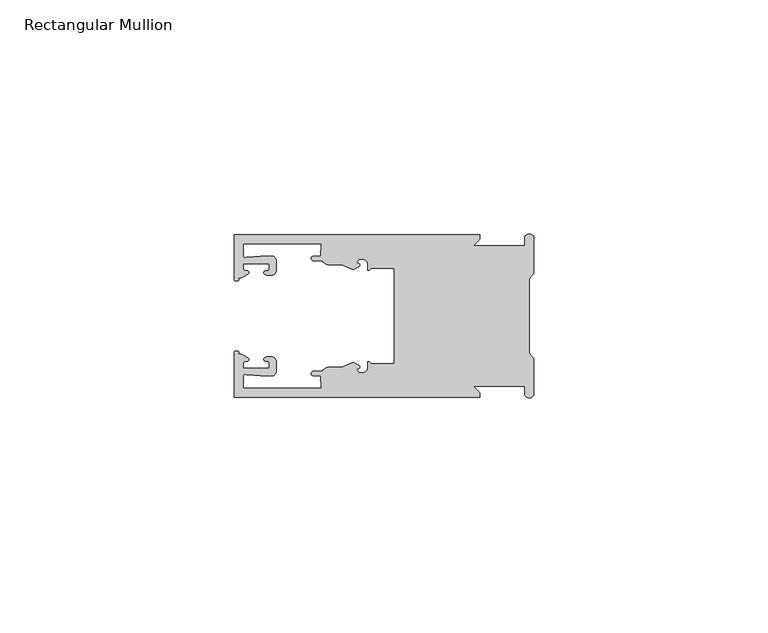
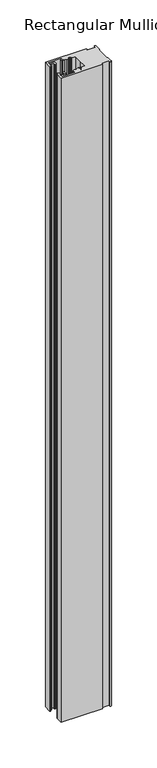
"""IFC4 building model written with IfcOpenShell, lengths in millimetres: member geometry, Rectangular Mullion."""

from ifc_helpers import new_model, si_unit, frame, origin, place, context, project, spatial, polyline, circle_curve, source, transform, mapped, element, save
from ifc_brep_helpers import plane_surface, cylinder_surface, revolved_surface, extruded_surface, spline_curve, advanced_brep


def rectangular_mullion_88b7eafe(model_context):
    return source(origin(), model_context, "Body", "AdvancedBrep", [
        advanced_brep(
        [(-11.5387897, 17.4000478, 0.0), (-64.0387868, 17.4000478, 0.0), (-64.0387868, 7.8350057, 0.0), (-63.2884687, 7.5412947, 0.0), (-62.4614154, 8.1921895, 0.0), (-62.0410649, 9.9426451, 0.0), (-62.0424168, 11.1926444, 0.0), (-56.54242, 11.1985924, 0.0), (-56.5410682, 9.9485931, 0.0), (-57.1085345, 8.7314723, 0.0), (-56.0397166, 8.6991345, 0.0), (-55.0407987, 9.7002154, 0.0), (-55.0430697, 11.8002142, 0.0), (-56.0446364, 12.7991315, 0.0), (-58.3650753, 12.7954945, 0.0), (-61.1340054, 12.5502269, 0.0), (-62.044093, 12.7426435, 0.0), (-62.0469668, 15.4000478, 0.0), (-45.4240312, 15.4000478, 0.0), (-45.5732135, 12.8000478, 0.0), (-47.0387868, 12.8000478, 0.0), (-47.0387868, 11.8000478, 0.0), (-45.2543363, 11.8000478, 0.0), (-43.6387868, 10.9000478, 0.0), (-41.0454034, 10.9000478, 0.0), (-38.5697136, 9.8718293, 0.0), (-37.5387868, 10.4670351, 0.0), (-37.6803436, 11.4201497, 0.0), (-37.0270763, 12.1583697, 0.0), (-36.2010815, 12.0127245, 0.0), (-35.54, 11.2248783, 0.0), (-35.54, 10.0, 0.0), (-34.7705791, 10.25, 0.0), (-29.79, 10.25, 0.0), (-29.79, 0.0, 0.0), (-29.79, -10.25, 0.0), (-34.7705791, -10.25, 0.0), (-35.54, -10.0, 0.0), (-35.54, -11.2248783, 0.0), (-36.2010815, -12.0127245, 0.0), (-37.0270763, -12.1583697, 0.0), (-37.6803436, -11.4201497, 0.0), (-37.5387868, -10.4670351, 0.0), (-38.5697136, -9.8718293, 0.0), (-41.0454034, -10.9000478, 0.0), (-43.6387868, -10.9000478, 0.0), (-45.2543363, -11.8000478, 0.0), (-47.0387868, -11.8000478, 0.0), (-47.0387868, -12.8000478, 0.0), (-45.5732135, -12.8000478, 0.0), (-45.4240312, -15.4000478, 0.0), (-62.0469668, -15.4000478, 0.0), (-62.044093, -12.7426435, 0.0), (-61.1340054, -12.5502269, 0.0), (-58.3650753, -12.7954945, 0.0), (-56.0446364, -12.7991314, 0.0), (-55.0430697, -11.8002142, 0.0), (-55.0407987, -9.7002154, 0.0), (-56.0397166, -8.6991345, 0.0), (-57.1085345, -8.7314723, 0.0), (-56.5410682, -9.9485931, 0.0), (-56.54242, -11.1985924, 0.0), (-62.0424168, -11.1926444, 0.0), (-62.0410649, -9.9426451, 0.0), (-62.4614154, -8.1921895, 0.0), (-63.2884687, -7.5412947, 0.0), (-64.0387868, -7.8350057, 0.0), (-64.0387868, -17.4000478, 0.0), (-11.5387897, -17.4000478, 0.0), (-11.5387897, -16.4000449, 0.0), (-12.9388346, -15.0, 0.0), (-2.0, -15.0, 0.0), (-2.0, -16.5, 0.0), (0.0, -16.5, 0.0), (0.0, -9.1160254, 0.0), (-1.0, -7.9613249, 0.0), (-1.0, 0.0, 0.0), (-1.0, 7.9613249, 0.0), (0.0, 9.1160254, 0.0), (0.0, 16.5, 0.0), (-2.0, 16.5, 0.0), (-2.0, 15.0, 0.0), (-12.9388346, 15.0, 0.0), (-11.5387897, 16.4000449, 0.0), (-11.5387897, 17.4000478, -864.0387868), (-11.5387897, 16.4000449, -864.0387868), (-12.9388346, 15.0, -864.0387868), (-2.0, 15.0, -864.0387868), (-2.0, 16.5, -864.0387868), (0.0, 16.5, -864.0387868), (0.0, 9.1160254, -864.0387868), (-1.0, 7.9613249, -864.0387868), (-1.0, 0.0, -864.0387868), (-1.0, -7.9613249, -864.0387868), (0.0, -9.1160254, -864.0387868), (0.0, -16.5, -864.0387868), (-2.0, -16.5, -864.0387868), (-2.0, -15.0, -864.0387868), (-12.9388346, -15.0, -864.0387868), (-11.5387897, -16.4000449, -864.0387868), (-11.5387897, -17.4000478, -864.0387868), (-64.0387868, -17.4000478, -864.0387868), (-64.0387868, -7.8350057, -864.0387868), (-63.2884687, -7.5412947, -864.0387868), (-62.4614154, -8.1921895, -864.0387868), (-62.0410649, -9.9426451, -864.0387868), (-62.0424168, -11.1926444, -864.0387868), (-56.54242, -11.1985924, -864.0387868), (-56.5410682, -9.9485931, -864.0387868), (-57.1085345, -8.7314723, -864.0387868), (-56.0397166, -8.6991345, -864.0387868), (-55.0407987, -9.7002154, -864.0387868), (-55.0430697, -11.8002142, -864.0387868), (-56.0446364, -12.7991315, -864.0387868), (-58.3650753, -12.7954945, -864.0387868), (-61.1340054, -12.5502269, -864.0387868), (-62.044093, -12.7426435, -864.0387868), (-62.0469668, -15.4000478, -864.0387868), (-45.4240312, -15.4000478, -864.0387868), (-45.5732135, -12.8000478, -864.0387868), (-47.0387868, -12.8000478, -864.0387868), (-47.0387868, -11.8000478, -864.0387868), (-45.2543363, -11.8000478, -864.0387868), (-43.6387868, -10.9000478, -864.0387868), (-41.0454034, -10.9000478, -864.0387868), (-38.5697136, -9.8718293, -864.0387868), (-37.5387868, -10.4670351, -864.0387868), (-37.6803436, -11.4201497, -864.0387868), (-37.0270763, -12.1583697, -864.0387868), (-36.2010815, -12.0127245, -864.0387868), (-35.54, -11.2248783, -864.0387868), (-35.54, -10.0, -864.0387868), (-34.7705791, -10.25, -864.0387868), (-29.79, -10.25, -864.0387868), (-29.79, 0.0, -864.0387868), (-29.79, 10.25, -864.0387868), (-34.7705791, 10.25, -864.0387868), (-35.54, 10.0, -864.0387868), (-35.54, 11.2248783, -864.0387868), (-36.2010815, 12.0127245, -864.0387868), (-37.0270763, 12.1583697, -864.0387868), (-37.6803436, 11.4201497, -864.0387868), (-37.5387868, 10.4670351, -864.0387868), (-38.5697136, 9.8718293, -864.0387868), (-41.0454034, 10.9000478, -864.0387868), (-43.6387868, 10.9000478, -864.0387868), (-45.2543363, 11.8000478, -864.0387868), (-47.0387868, 11.8000478, -864.0387868), (-47.0387868, 12.8000478, -864.0387868), (-45.5732135, 12.8000478, -864.0387868), (-45.4240312, 15.4000478, -864.0387868), (-62.0469668, 15.4000478, -864.0387868), (-62.044093, 12.7426435, -864.0387868), (-61.1340054, 12.5502269, -864.0387868), (-58.3650753, 12.7954945, -864.0387868), (-56.0446364, 12.7991314, -864.0387868), (-55.0430697, 11.8002142, -864.0387868), (-55.0407987, 9.7002154, -864.0387868), (-56.0397166, 8.6991345, -864.0387868), (-57.1085345, 8.7314723, -864.0387868), (-56.5410682, 9.9485931, -864.0387868), (-56.54242, 11.1985924, -864.0387868), (-62.0424168, 11.1926444, -864.0387868), (-62.0410649, 9.9426451, -864.0387868), (-62.4614154, 8.1921895, -864.0387868), (-63.2884687, 7.5412947, -864.0387868), (-64.0387868, 7.8350057, -864.0387868), (-64.0387868, 17.4000478, -864.0387868)],
        [
            (0, 1),
            (1, 2),
            (2, 3, spline_curve(3, [(-64.0387868, 7.8350057, 0.0), (-64.038491377, 7.561831774, 0.0), (-63.788385325, 7.463928087, 0.0), (-63.2884687, 7.5412947, 0.0)], [4, 4], [0.0, 0.0019169337574178654])),
            (3, 4, spline_curve(3, [(-63.2884687, 7.5412947, 0.0), (-63.057760917, 7.582232011, 0.0), (-63.018445067, 7.725390894, 0.0), (-63.019925494, 8.056436881, 0.0), (-63.103444208, 8.236386866, 0.0), (-62.4614154, 8.1921895, 0.0)], [4, 2, 4], [0.0, 0.0010199524164107188, 0.0024874514725970356])),
            (4, 5, spline_curve(3, [(-62.4614154, 8.1921895, 0.0), (-60.988497673, 8.880962536, 0.0), (-60.794045122, 9.192776957, 0.0), (-60.949808078, 9.57023562, 0.0), (-61.145214014, 9.682771697, 0.0), (-61.665835706, 9.714019003, 0.0), (-61.965242574, 9.660891484, 0.0), (-62.0410649, 9.9426451, 0.0)], [4, 2, 2, 4], [0.0, 0.003269869179570428, 0.005490050486237203, 0.0073545767114364426])),
            (5, 6),
            (6, 7),
            (7, 8),
            (8, 9, spline_curve(3, [(-56.5410682, 9.9485931, 0.0), (-56.634838635, 9.597117104, 0.0), (-56.904956774, 9.698238818, 0.0), (-57.324171444, 9.731086209, 0.0), (-57.45969165, 9.646199885, 0.0), (-57.729003352, 9.346016011, 0.0), (-57.859492582, 9.113082158, 0.0), (-57.1085345, 8.7314723, 0.0)], [4, 2, 2, 4], [0.0, 0.001593963049934732, 0.0033360256320283306, 0.005339140673503943])),
            (9, 10),
            (10, 11, circle_curve(frame((-56.0407981, 9.699134, 0.0), z_axis=(0.0, 0.0, 1.0), x_axis=(0.0010814451158627505, -0.9999994152380598, 0.0)), 1.0)),
            (11, 12),
            (12, 13, circle_curve(frame((-56.0430691, 11.7991327, 0.0), z_axis=(0.0, 0.0, 1.0), x_axis=(0.0010814451158627505, -0.9999994152380598, 0.0)), 1.0)),
            (13, 14),
            (14, 15),
            (15, 16, spline_curve(3, [(-61.1340054, 12.5502269, 0.0), (-61.605485428, 12.508463911, 0.0), (-61.992111419, 12.303164326, 0.0), (-62.044093, 12.7426435, 0.0)], [4, 4], [0.0, 0.0014803385355886016])),
            (16, 17),
            (17, 18),
            (18, 19),
            (19, 20),
            (20, 21, circle_curve(frame((-47.0387868, 12.3000478, 0.0), z_axis=(0.0, 0.0, 1.0), x_axis=(0.0, -1.0, 0.0)), 0.5)),
            (21, 22),
            (22, 23, circle_curve(frame((-43.6387868, 12.8000478, 0.0), z_axis=(0.0, 0.0, 1.0), x_axis=(0.0, -1.0, 0.0)), 1.9)),
            (23, 24),
            (24, 25),
            (25, 26),
            (26, 27, spline_curve(3, [(-37.5387868, 10.4670351, 0.0), (-36.973919853, 10.833863985, 0.0), (-37.198159645, 11.135696286, 0.0), (-37.587892011, 11.260246073, 0.0), (-37.754584192, 11.180452419, 0.0), (-37.6803436, 11.4201497, 0.0)], [4, 2, 4], [0.0, 0.0019283703160353726, 0.003394584635652914])),
            (27, 28, circle_curve(frame((-37.0434863, 11.5147359, 0.0), z_axis=(0.0, 0.0, -1.0), x_axis=(0.0, -1.0, 0.0)), 0.643843)),
            (28, 29),
            (29, 30, circle_curve(frame((-36.34, 11.2248783, 0.0), z_axis=(0.0, 0.0, -1.0), x_axis=(0.0, -1.0, 0.0)), 0.8)),
            (30, 31),
            (31, 32, spline_curve(3, [(-35.54, 10.0, 0.0), (-35.440000238, 9.598293201, 0.0), (-35.183526594, 9.681626535, 0.0), (-34.7705791, 10.25, 0.0)], [4, 4], [0.0, 0.0027473296990141553])),
            (32, 33),
            (33, 34),
            (34, 35),
            (35, 36),
            (36, 37, spline_curve(3, [(-34.7705791, -10.25, 0.0), (-35.183526594, -9.681626535, 0.0), (-35.440000238, -9.598293201, 0.0), (-35.54, -10.0, 0.0)], [4, 4], [0.0, 0.0027473296990141553])),
            (37, 38),
            (38, 39, circle_curve(frame((-36.34, -11.2248783, 0.0), z_axis=(0.0, 0.0, -1.0), x_axis=(0.0, 1.0, 0.0)), 0.8)),
            (39, 40),
            (40, 41, circle_curve(frame((-37.0434863, -11.5147359, 0.0), z_axis=(0.0, 0.0, -1.0), x_axis=(0.0, 1.0, 0.0)), 0.643843)),
            (41, 42, spline_curve(3, [(-37.6803436, -11.4201497, 0.0), (-37.754584192, -11.180452419, 0.0), (-37.587892011, -11.260246073, 0.0), (-37.198159645, -11.135696286, 0.0), (-36.973919853, -10.833863985, 0.0), (-37.5387868, -10.4670351, 0.0)], [4, 2, 4], [0.0, 0.0014662143196175414, 0.003394584635652914])),
            (42, 43),
            (43, 44),
            (44, 45),
            (45, 46, circle_curve(frame((-43.6387868, -12.8000478, 0.0), z_axis=(0.0, 0.0, 1.0), x_axis=(0.0, 1.0, 0.0)), 1.9)),
            (46, 47),
            (47, 48, circle_curve(frame((-47.0387868, -12.3000478, 0.0), z_axis=(0.0, 0.0, 1.0), x_axis=(0.0, 1.0, 0.0)), 0.5)),
            (48, 49),
            (49, 50),
            (50, 51),
            (51, 52),
            (52, 53, spline_curve(3, [(-62.044093, -12.7426435, 0.0), (-61.992111419, -12.303164326, 0.0), (-61.605485428, -12.508463911, 0.0), (-61.1340054, -12.5502269, 0.0)], [4, 4], [0.0, 0.0014803385355886016])),
            (53, 54),
            (54, 55),
            (55, 56, circle_curve(frame((-56.0430691, -11.7991327, 0.0), z_axis=(0.0, 0.0, 1.0), x_axis=(0.001081445115855867, 0.9999994152380598, 0.0)), 1.0)),
            (56, 57),
            (57, 58, circle_curve(frame((-56.0407981, -9.699134, 0.0), z_axis=(0.0, 0.0, 1.0), x_axis=(0.001081445115855867, 0.9999994152380598, 0.0)), 1.0)),
            (58, 59),
            (59, 60, spline_curve(3, [(-57.1085345, -8.7314723, 0.0), (-57.859492582, -9.113082158, 0.0), (-57.729003352, -9.346016011, 0.0), (-57.45969165, -9.646199885, 0.0), (-57.324171444, -9.731086209, 0.0), (-56.904956774, -9.698238818, 0.0), (-56.634838635, -9.597117104, 0.0), (-56.5410682, -9.9485931, 0.0)], [4, 2, 2, 4], [0.0, 0.002003115041475612, 0.0037451776235692107, 0.005339140673503943])),
            (60, 61),
            (61, 62),
            (62, 63),
            (63, 64, spline_curve(3, [(-62.0410649, -9.9426451, 0.0), (-61.965242574, -9.660891484, 0.0), (-61.665835706, -9.714019003, 0.0), (-61.145214014, -9.682771697, 0.0), (-60.949808078, -9.57023562, 0.0), (-60.794045122, -9.192776957, 0.0), (-60.988497673, -8.880962536, 0.0), (-62.4614154, -8.1921895, 0.0)], [4, 2, 2, 4], [0.0, 0.0018645262251992395, 0.004084707531866015, 0.0073545767114364426])),
            (64, 65, spline_curve(3, [(-62.4614154, -8.1921895, 0.0), (-63.103444208, -8.236386866, 0.0), (-63.019925494, -8.056436881, 0.0), (-63.018445067, -7.725390894, 0.0), (-63.057760917, -7.582232011, 0.0), (-63.2884687, -7.5412947, 0.0)], [4, 2, 4], [0.0, 0.0014674990561863168, 0.0024874514725970356])),
            (65, 66, spline_curve(3, [(-63.2884687, -7.5412947, 0.0), (-63.788385325, -7.463928087, 0.0), (-64.038491377, -7.561831774, 0.0), (-64.0387868, -7.8350057, 0.0)], [4, 4], [0.0, 0.0019169337574178654])),
            (66, 67),
            (67, 68),
            (68, 69),
            (69, 70),
            (70, 71),
            (71, 72),
            (72, 73, circle_curve(frame((-1.0, -16.5, 0.0), z_axis=(0.0, 0.0, 1.0), x_axis=(0.0, 1.0, 0.0)), 1.0)),
            (73, 74),
            (74, 75),
            (75, 76),
            (76, 77),
            (77, 78),
            (78, 79),
            (79, 80, circle_curve(frame((-1.0, 16.5, 0.0), z_axis=(0.0, 0.0, 1.0), x_axis=(0.0, -1.0, 0.0)), 1.0)),
            (80, 81),
            (81, 82),
            (82, 83),
            (83, 0),
            (84, 85),
            (85, 86),
            (86, 87),
            (87, 88),
            (88, 89, circle_curve(frame((-1.0, 16.5, -864.0387868), z_axis=(0.0, 0.0, -1.0), x_axis=(0.0, -1.0, 0.0)), 1.0)),
            (89, 90),
            (90, 91),
            (91, 92),
            (92, 93),
            (93, 94),
            (94, 95),
            (95, 96, circle_curve(frame((-1.0, -16.5, -864.0387868), z_axis=(0.0, 0.0, -1.0), x_axis=(0.0, 1.0, 0.0)), 1.0)),
            (96, 97),
            (97, 98),
            (98, 99),
            (99, 100),
            (100, 101),
            (101, 102),
            (102, 103, spline_curve(3, [(-64.0387868, -7.8350057, -864.0387868), (-64.038491377, -7.561831774, -864.0387868), (-63.788385325, -7.463928087, -864.0387868), (-63.2884687, -7.5412947, -864.0387868)], [4, 4], [0.0, 0.0019169337574178654])),
            (103, 104, spline_curve(3, [(-63.2884687, -7.5412947, -864.0387868), (-63.057760917, -7.582232011, -864.0387868), (-63.018445067, -7.725390894, -864.0387868), (-63.019925494, -8.056436881, -864.0387868), (-63.103444208, -8.236386866, -864.0387868), (-62.4614154, -8.1921895, -864.0387868)], [4, 2, 4], [0.0, 0.0010199524164107188, 0.0024874514725970356])),
            (104, 105, spline_curve(3, [(-62.4614154, -8.1921895, -864.0387868), (-60.988497673, -8.880962536, -864.0387868), (-60.794045122, -9.192776957, -864.0387868), (-60.949808078, -9.57023562, -864.0387868), (-61.145214014, -9.682771697, -864.0387868), (-61.665835706, -9.714019003, -864.0387868), (-61.965242574, -9.660891484, -864.0387868), (-62.0410649, -9.9426451, -864.0387868)], [4, 2, 2, 4], [0.0, 0.003269869179570428, 0.005490050486237203, 0.0073545767114364426])),
            (105, 106),
            (106, 107),
            (107, 108),
            (108, 109, spline_curve(3, [(-56.5410682, -9.9485931, -864.0387868), (-56.634838635, -9.597117104, -864.0387868), (-56.904956774, -9.698238818, -864.0387868), (-57.324171444, -9.731086209, -864.0387868), (-57.45969165, -9.646199885, -864.0387868), (-57.729003352, -9.346016011, -864.0387868), (-57.859492582, -9.113082158, -864.0387868), (-57.1085345, -8.7314723, -864.0387868)], [4, 2, 2, 4], [0.0, 0.001593963049934732, 0.0033360256320283306, 0.005339140673503943])),
            (109, 110),
            (110, 111, circle_curve(frame((-56.0407981, -9.699134, -864.0387868), z_axis=(0.0, 0.0, -1.0), x_axis=(0.001081445115855867, 0.9999994152380598, 0.0)), 1.0)),
            (111, 112),
            (112, 113, circle_curve(frame((-56.0430691, -11.7991327, -864.0387868), z_axis=(0.0, 0.0, -1.0), x_axis=(0.001081445115855867, 0.9999994152380598, 0.0)), 1.0)),
            (113, 114),
            (114, 115),
            (115, 116, spline_curve(3, [(-61.1340054, -12.5502269, -864.0387868), (-61.605485428, -12.508463911, -864.0387868), (-61.992111419, -12.303164326, -864.0387868), (-62.044093, -12.7426435, -864.0387868)], [4, 4], [0.0, 0.0014803385355886016])),
            (116, 117),
            (117, 118),
            (118, 119),
            (119, 120),
            (120, 121, circle_curve(frame((-47.0387868, -12.3000478, -864.0387868), z_axis=(0.0, 0.0, -1.0), x_axis=(0.0, 1.0, 0.0)), 0.5)),
            (121, 122),
            (122, 123, circle_curve(frame((-43.6387868, -12.8000478, -864.0387868), z_axis=(0.0, 0.0, -1.0), x_axis=(0.0, 1.0, 0.0)), 1.9)),
            (123, 124),
            (124, 125),
            (125, 126),
            (126, 127, spline_curve(3, [(-37.5387868, -10.4670351, -864.0387868), (-36.973919853, -10.833863985, -864.0387868), (-37.198159645, -11.135696286, -864.0387868), (-37.587892011, -11.260246073, -864.0387868), (-37.754584192, -11.180452419, -864.0387868), (-37.6803436, -11.4201497, -864.0387868)], [4, 2, 4], [0.0, 0.0019283703160353726, 0.003394584635652914])),
            (127, 128, circle_curve(frame((-37.0434863, -11.5147359, -864.0387868), z_axis=(0.0, 0.0, 1.0), x_axis=(0.0, 1.0, 0.0)), 0.643843)),
            (128, 129),
            (129, 130, circle_curve(frame((-36.34, -11.2248783, -864.0387868), z_axis=(0.0, 0.0, 1.0), x_axis=(0.0, 1.0, 0.0)), 0.8)),
            (130, 131),
            (131, 132, spline_curve(3, [(-35.54, -10.0, -864.0387868), (-35.440000238, -9.598293201, -864.0387868), (-35.183526594, -9.681626535, -864.0387868), (-34.7705791, -10.25, -864.0387868)], [4, 4], [0.0, 0.0027473296990141553])),
            (132, 133),
            (133, 134),
            (134, 135),
            (135, 136),
            (136, 137, spline_curve(3, [(-34.7705791, 10.25, -864.0387868), (-35.183526594, 9.681626535, -864.0387868), (-35.440000238, 9.598293201, -864.0387868), (-35.54, 10.0, -864.0387868)], [4, 4], [0.0, 0.0027473296990141553])),
            (137, 138),
            (138, 139, circle_curve(frame((-36.34, 11.2248783, -864.0387868), z_axis=(0.0, 0.0, 1.0), x_axis=(0.0, -1.0, 0.0)), 0.8)),
            (139, 140),
            (140, 141, circle_curve(frame((-37.0434863, 11.5147359, -864.0387868), z_axis=(0.0, 0.0, 1.0), x_axis=(0.0, -1.0, 0.0)), 0.643843)),
            (141, 142, spline_curve(3, [(-37.6803436, 11.4201497, -864.0387868), (-37.754584192, 11.180452419, -864.0387868), (-37.587892011, 11.260246073, -864.0387868), (-37.198159645, 11.135696286, -864.0387868), (-36.973919853, 10.833863985, -864.0387868), (-37.5387868, 10.4670351, -864.0387868)], [4, 2, 4], [0.0, 0.0014662143196175414, 0.003394584635652914])),
            (142, 143),
            (143, 144),
            (144, 145),
            (145, 146, circle_curve(frame((-43.6387868, 12.8000478, -864.0387868), z_axis=(0.0, 0.0, -1.0), x_axis=(0.0, -1.0, 0.0)), 1.9)),
            (146, 147),
            (147, 148, circle_curve(frame((-47.0387868, 12.3000478, -864.0387868), z_axis=(0.0, 0.0, -1.0), x_axis=(0.0, -1.0, 0.0)), 0.5)),
            (148, 149),
            (149, 150),
            (150, 151),
            (151, 152),
            (152, 153, spline_curve(3, [(-62.044093, 12.7426435, -864.0387868), (-61.992111419, 12.303164326, -864.0387868), (-61.605485428, 12.508463911, -864.0387868), (-61.1340054, 12.5502269, -864.0387868)], [4, 4], [0.0, 0.0014803385355886016])),
            (153, 154),
            (154, 155),
            (155, 156, circle_curve(frame((-56.0430691, 11.7991327, -864.0387868), z_axis=(0.0, 0.0, -1.0), x_axis=(0.0010814451158627505, -0.9999994152380598, 0.0)), 1.0)),
            (156, 157),
            (157, 158, circle_curve(frame((-56.0407981, 9.699134, -864.0387868), z_axis=(0.0, 0.0, -1.0), x_axis=(0.0010814451158627505, -0.9999994152380598, 0.0)), 1.0)),
            (158, 159),
            (159, 160, spline_curve(3, [(-57.1085345, 8.7314723, -864.0387868), (-57.859492582, 9.113082158, -864.0387868), (-57.729003352, 9.346016011, -864.0387868), (-57.45969165, 9.646199885, -864.0387868), (-57.324171444, 9.731086209, -864.0387868), (-56.904956774, 9.698238818, -864.0387868), (-56.634838635, 9.597117104, -864.0387868), (-56.5410682, 9.9485931, -864.0387868)], [4, 2, 2, 4], [0.0, 0.002003115041475612, 0.0037451776235692107, 0.005339140673503943])),
            (160, 161),
            (161, 162),
            (162, 163),
            (163, 164, spline_curve(3, [(-62.0410649, 9.9426451, -864.0387868), (-61.965242574, 9.660891484, -864.0387868), (-61.665835706, 9.714019003, -864.0387868), (-61.145214014, 9.682771697, -864.0387868), (-60.949808078, 9.57023562, -864.0387868), (-60.794045122, 9.192776957, -864.0387868), (-60.988497673, 8.880962536, -864.0387868), (-62.4614154, 8.1921895, -864.0387868)], [4, 2, 2, 4], [0.0, 0.0018645262251992395, 0.004084707531866015, 0.0073545767114364426])),
            (164, 165, spline_curve(3, [(-62.4614154, 8.1921895, -864.0387868), (-63.103444208, 8.236386866, -864.0387868), (-63.019925494, 8.056436881, -864.0387868), (-63.018445067, 7.725390894, -864.0387868), (-63.057760917, 7.582232011, -864.0387868), (-63.2884687, 7.5412947, -864.0387868)], [4, 2, 4], [0.0, 0.0014674990561863168, 0.0024874514725970356])),
            (165, 166, spline_curve(3, [(-63.2884687, 7.5412947, -864.0387868), (-63.788385325, 7.463928087, -864.0387868), (-64.038491377, 7.561831774, -864.0387868), (-64.0387868, 7.8350057, -864.0387868)], [4, 4], [0.0, 0.0019169337574178654])),
            (166, 167),
            (167, 84),
            (0, 84),
            (167, 1),
            (166, 2),
            (165, 3),
            (164, 4),
            (163, 5),
            (162, 6),
            (161, 7),
            (160, 8),
            (159, 9),
            (158, 10),
            (157, 11),
            (156, 12),
            (155, 13),
            (154, 14),
            (153, 15),
            (152, 16),
            (151, 17),
            (150, 18),
            (149, 19),
            (148, 20),
            (147, 21),
            (146, 22),
            (145, 23),
            (144, 24),
            (143, 25),
            (142, 26),
            (141, 27),
            (140, 28),
            (139, 29),
            (138, 30),
            (137, 31),
            (136, 32),
            (135, 33),
            (134, 34),
            (133, 35),
            (132, 36),
            (131, 37),
            (130, 38),
            (129, 39),
            (128, 40),
            (127, 41),
            (126, 42),
            (125, 43),
            (124, 44),
            (123, 45),
            (122, 46),
            (121, 47),
            (120, 48),
            (119, 49),
            (118, 50),
            (117, 51),
            (116, 52),
            (115, 53),
            (114, 54),
            (113, 55),
            (112, 56),
            (111, 57),
            (110, 58),
            (109, 59),
            (108, 60),
            (107, 61),
            (106, 62),
            (105, 63),
            (104, 64),
            (103, 65),
            (102, 66),
            (101, 67),
            (100, 68),
            (99, 69),
            (98, 70),
            (97, 71),
            (96, 72),
            (95, 73),
            (94, 74),
            (93, 75),
            (92, 76),
            (91, 77),
            (90, 78),
            (89, 79),
            (88, 80),
            (87, 81),
            (86, 82),
            (85, 83),
        ],
        [
            plane_surface(frame((0.0, -66.3605898, 0.0), z_axis=(0.0, 0.0, 1.0), x_axis=(-1.0, 0.0, 0.0))),
            plane_surface(frame((0.0, -66.3605898, -864.0387868), z_axis=(0.0, 0.0, -1.0), x_axis=(-1.0, 0.0, 0.0))),
            plane_surface(frame((-11.5387897, 17.4000478, 0.0), z_axis=(0.0, 1.0, 0.0), x_axis=(0.0, 0.0, -1.0))),
            plane_surface(frame((-64.0387868, 17.4000478, 0.0), z_axis=(-1.0, 0.0, 0.0), x_axis=(0.0, 0.0, -1.0))),
            extruded_surface(spline_curve(3, [(-64.0387868, 7.8350057, -864.0387868), (-64.038491377, 7.561831774, -864.0387868), (-63.788385325, 7.463928087, -864.0387868), (-63.2884687, 7.5412947, -864.0387868)], [4, 4], [0.0, 0.0019169337574178654]), (0.0, 0.0, 864.0387868), 864.0387868),
            extruded_surface(spline_curve(3, [(-63.2884687, 7.5412947, -864.0387868), (-63.057760917, 7.582232011, -864.0387868), (-63.018445067, 7.725390894, -864.0387868), (-63.019925494, 8.056436881, -864.0387868), (-63.103444208, 8.236386866, -864.0387868), (-62.4614154, 8.1921895, -864.0387868)], [4, 2, 4], [0.0, 0.0010199524164107188, 0.0024874514725970356]), (0.0, 0.0, 864.0387868), 864.0387868),
            extruded_surface(spline_curve(3, [(-62.4614154, 8.1921895, -864.0387868), (-60.988497673, 8.880962536, -864.0387868), (-60.794045122, 9.192776957, -864.0387868), (-60.949808078, 9.57023562, -864.0387868), (-61.145214014, 9.682771697, -864.0387868), (-61.665835706, 9.714019003, -864.0387868), (-61.965242574, 9.660891484, -864.0387868), (-62.0410649, 9.9426451, -864.0387868)], [4, 2, 2, 4], [0.0, 0.003269869179570428, 0.005490050486237203, 0.0073545767114364426]), (0.0, 0.0, 864.0387868), 864.0387868),
            plane_surface(frame((-62.0410649, 9.9426451, 0.0), z_axis=(0.9999994152380598, 0.0010814451158593665, 0.0), x_axis=(0.0, 0.0, -1.0))),
            plane_surface(frame((-62.0424168, 11.1926444, 0.0), z_axis=(0.0010814451158611391, -0.9999994152380598, 0.0), x_axis=(0.0, 0.0, -1.0))),
            plane_surface(frame((-56.54242, 11.1985924, 0.0), z_axis=(-0.9999994152380598, -0.0010814451158584516, 0.0), x_axis=(0.0, 0.0, -1.0))),
            extruded_surface(spline_curve(3, [(-56.5410682, 9.9485931, -864.0387868), (-56.634838635, 9.597117104, -864.0387868), (-56.904956774, 9.698238818, -864.0387868), (-57.324171444, 9.731086209, -864.0387868), (-57.45969165, 9.646199885, -864.0387868), (-57.729003352, 9.346016011, -864.0387868), (-57.859492582, 9.113082158, -864.0387868), (-57.1085345, 8.7314723, -864.0387868)], [4, 2, 2, 4], [0.0, 0.001593963049934732, 0.0033360256320283306, 0.005339140673503943]), (0.0, 0.0, 864.0387868), 864.0387868),
            plane_surface(frame((-57.1085345, 8.7314723, 0.0), z_axis=(-0.030241832452869922, -0.9995426111826813, 0.0), x_axis=(0.0, 0.0, -1.0))),
            cylinder_surface(frame((-56.0407981, 9.699134, 0.0), z_axis=(0.0, 0.0, 1.0000000000000002), x_axis=(0.0010814451158627505, -0.9999994152380598, 0.0)), 1.0),
            plane_surface(frame((-55.0407987, 9.7002154, 0.0), z_axis=(0.9999994152380598, 0.001081445115858722, 0.0), x_axis=(0.0, 0.0, -1.0))),
            cylinder_surface(frame((-56.0430691, 11.7991327, 0.0), z_axis=(0.0, 0.0, 1.0000000000000002), x_axis=(0.0010814451158627505, -0.9999994152380598, 0.0)), 1.0),
            plane_surface(frame((-56.0446364, 12.7991314, 0.0), z_axis=(-0.0015673183327907744, 0.9999987717558677, 0.0), x_axis=(0.0, 0.0, -1.0))),
            plane_surface(frame((-58.3650753, 12.7954945, 0.0), z_axis=(-0.08823302167299531, 0.9960998614026874, 0.0), x_axis=(0.0, 0.0, -1.0))),
            extruded_surface(spline_curve(3, [(-61.1340054, 12.5502269, -864.0387868), (-61.605485428, 12.508463911, -864.0387868), (-61.992111419, 12.303164326, -864.0387868), (-62.044093, 12.7426435, -864.0387868)], [4, 4], [0.0, 0.0014803385355886016]), (0.0, 0.0, 864.0387868), 864.0387868),
            plane_surface(frame((-62.044093, 12.7426435, 0.0), z_axis=(0.9999994152380598, 0.0010814451158597813, 0.0), x_axis=(0.0, 0.0, -1.0))),
            plane_surface(frame((-62.0469668, 15.4000478, 0.0), z_axis=(0.0, -1.0, 0.0), x_axis=(0.0, 0.0, -1.0))),
            plane_surface(frame((-45.4240312, 15.4000478, 0.0), z_axis=(-0.9983579461523547, 0.05728360458675776, 0.0), x_axis=(0.0, 0.0, -1.0))),
            plane_surface(frame((-45.5732135, 12.8000478, 0.0), z_axis=(0.0, 1.0, 0.0), x_axis=(0.0, 0.0, -1.0))),
            cylinder_surface(frame((-47.0387868, 12.3000478, 0.0), z_axis=(0.0, 0.0, 1.0), x_axis=(0.0, -1.0, 0.0)), 0.5),
            plane_surface(frame((-47.0387868, 11.8000478, 0.0), z_axis=(0.0, -1.0, 0.0), x_axis=(0.0, 0.0, -1.0))),
            cylinder_surface(frame((-43.6387868, 12.8000478, 0.0), z_axis=(0.0, 0.0, 1.0), x_axis=(0.0, -1.0, 0.0)), 1.9),
            plane_surface(frame((-43.6387868, 10.9000478, 0.0), z_axis=(0.0, -1.0, 0.0), x_axis=(0.0, 0.0, -1.0))),
            plane_surface(frame((-41.0454034, 10.9000478, 0.0), z_axis=(-0.3835602140750569, -0.9235158700199453, 0.0), x_axis=(0.0, 0.0, -1.0))),
            plane_surface(frame((-38.5697136, 9.8718293, 0.0), z_axis=(0.5000000000252295, -0.8660254037698725, 0.0), x_axis=(0.0, 0.0, -1.0))),
            extruded_surface(spline_curve(3, [(-37.5387868, 10.4670351, -864.0387868), (-36.973919853, 10.833863985, -864.0387868), (-37.198159645, 11.135696286, -864.0387868), (-37.587892011, 11.260246073, -864.0387868), (-37.754584192, 11.180452419, -864.0387868), (-37.6803436, 11.4201497, -864.0387868)], [4, 2, 4], [0.0, 0.0019283703160353726, 0.003394584635652914]), (0.0, 0.0, 864.0387868), 864.0387868),
            revolved_surface(polyline([(-37.0434863, 10.8708929, -864.0387868), (-37.0434863, 10.8708929, 0.0)]), (-37.0434863, 11.5147359, 0.0), (0.0, 0.0, -1.0)),
            plane_surface(frame((-37.0270763, 12.1583697, 0.0), z_axis=(-0.17364817767050408, -0.984807753011578, 0.0), x_axis=(0.0, 0.0, -1.0))),
            revolved_surface(polyline([(-36.34, 10.4248783, -864.0387868), (-36.34, 10.4248783, 0.0)]), (-36.34, 11.2248783, 0.0), (0.0, 0.0, -1.0)),
            plane_surface(frame((-35.54, 11.2248783, 0.0), z_axis=(-1.0, 0.0, 0.0), x_axis=(0.0, 0.0, -1.0))),
            extruded_surface(spline_curve(3, [(-35.54, 10.0, -864.0387868), (-35.440000238, 9.598293201, -864.0387868), (-35.183526594, 9.681626535, -864.0387868), (-34.7705791, 10.25, -864.0387868)], [4, 4], [0.0, 0.0027473296990141553]), (0.0, 0.0, 864.0387868), 864.0387868),
            plane_surface(frame((-34.7705791, 10.25, 0.0), z_axis=(0.0, -1.0, 0.0), x_axis=(0.0, 0.0, -1.0))),
            plane_surface(frame((-29.79, 10.25, 0.0), z_axis=(-1.0, 0.0, 0.0), x_axis=(0.0, 0.0, -1.0))),
            plane_surface(frame((-29.79, 0.0, 0.0), z_axis=(-1.0, 0.0, 0.0), x_axis=(0.0, 0.0, -1.0))),
            plane_surface(frame((-29.79, -10.25, 0.0), z_axis=(0.0, 1.0, 0.0), x_axis=(0.0, 0.0, -1.0))),
            extruded_surface(spline_curve(3, [(-34.7705791, -10.25, -864.0387868), (-35.183526594, -9.681626535, -864.0387868), (-35.440000238, -9.598293201, -864.0387868), (-35.54, -10.0, -864.0387868)], [4, 4], [0.0, 0.0027473296990141553]), (0.0, 0.0, 864.0387868), 864.0387868),
            plane_surface(frame((-35.54, -10.0, 0.0), z_axis=(-1.0, 0.0, 0.0), x_axis=(0.0, 0.0, -1.0))),
            revolved_surface(polyline([(-36.34, -10.4248783, -864.0387868), (-36.34, -10.4248783, 0.0)]), (-36.34, -11.2248783, 0.0), (0.0, 0.0, -1.0)),
            plane_surface(frame((-36.2010815, -12.0127245, 0.0), z_axis=(-0.17364817767051083, 0.9848077530115767, 0.0), x_axis=(0.0, 0.0, -1.0))),
            revolved_surface(polyline([(-37.0434863, -10.8708929, -864.0387868), (-37.0434863, -10.8708929, 0.0)]), (-37.0434863, -11.5147359, 0.0), (0.0, 0.0, -1.0)),
            extruded_surface(spline_curve(3, [(-37.6803436, -11.4201497, -864.0387868), (-37.754584192, -11.180452419, -864.0387868), (-37.587892011, -11.260246073, -864.0387868), (-37.198159645, -11.135696286, -864.0387868), (-36.973919853, -10.833863985, -864.0387868), (-37.5387868, -10.4670351, -864.0387868)], [4, 2, 4], [0.0, 0.0014662143196175414, 0.003394584635652914]), (0.0, 0.0, 864.0387868), 864.0387868),
            plane_surface(frame((-37.5387868, -10.4670351, 0.0), z_axis=(0.5000000000252234, 0.8660254037698759, 0.0), x_axis=(0.0, 0.0, -1.0))),
            plane_surface(frame((-38.5697136, -9.8718293, 0.0), z_axis=(-0.38356021407506324, 0.9235158700199426, 0.0), x_axis=(0.0, 0.0, -1.0))),
            plane_surface(frame((-41.0454034, -10.9000478, 0.0), z_axis=(0.0, 1.0, 0.0), x_axis=(0.0, 0.0, -1.0))),
            cylinder_surface(frame((-43.6387868, -12.8000478, 0.0), z_axis=(0.0, 0.0, 1.0), x_axis=(0.0, 1.0, 0.0)), 1.9),
            plane_surface(frame((-45.2543363, -11.8000478, 0.0), z_axis=(0.0, 1.0, 0.0), x_axis=(0.0, 0.0, -1.0))),
            cylinder_surface(frame((-47.0387868, -12.3000478, 0.0), z_axis=(0.0, 0.0, 1.0), x_axis=(0.0, 1.0, 0.0)), 0.5),
            plane_surface(frame((-47.0387868, -12.8000478, 0.0), z_axis=(0.0, -1.0, 0.0), x_axis=(0.0, 0.0, -1.0))),
            plane_surface(frame((-45.5732135, -12.8000478, 0.0), z_axis=(-0.9983579461523543, -0.05728360458676463, 0.0), x_axis=(0.0, 0.0, -1.0))),
            plane_surface(frame((-45.4240312, -15.4000478, 0.0), z_axis=(0.0, 1.0, 0.0), x_axis=(0.0, 0.0, -1.0))),
            plane_surface(frame((-62.0469668, -15.4000478, 0.0), z_axis=(0.9999994152380598, -0.001081445115852898, 0.0), x_axis=(0.0, 0.0, -1.0))),
            extruded_surface(spline_curve(3, [(-62.044093, -12.7426435, -864.0387868), (-61.992111419, -12.303164326, -864.0387868), (-61.605485428, -12.508463911, -864.0387868), (-61.1340054, -12.5502269, -864.0387868)], [4, 4], [0.0, 0.0014803385355886016]), (0.0, 0.0, 864.0387868), 864.0387868),
            plane_surface(frame((-61.1340054, -12.5502269, 0.0), z_axis=(-0.08823302167298844, -0.9960998614026879, 0.0), x_axis=(0.0, 0.0, -1.0))),
            plane_surface(frame((-58.3650753, -12.7954945, 0.0), z_axis=(-0.001567318332783891, -0.9999987717558677, 0.0), x_axis=(0.0, 0.0, -1.0))),
            cylinder_surface(frame((-56.0430691, -11.7991327, 0.0), z_axis=(0.0, 0.0, 1.0000000000000002), x_axis=(0.001081445115855867, 0.9999994152380598, 0.0)), 1.0),
            plane_surface(frame((-55.0430697, -11.8002142, 0.0), z_axis=(0.9999994152380598, -0.0010814451158518386, 0.0), x_axis=(0.0, 0.0, -1.0))),
            cylinder_surface(frame((-56.0407981, -9.699134, 0.0), z_axis=(0.0, 0.0, 1.0000000000000002), x_axis=(0.001081445115855867, 0.9999994152380598, 0.0)), 1.0),
            plane_surface(frame((-56.0397166, -8.6991345, 0.0), z_axis=(-0.030241832452876805, 0.9995426111826811, 0.0), x_axis=(0.0, 0.0, -1.0))),
            extruded_surface(spline_curve(3, [(-57.1085345, -8.7314723, -864.0387868), (-57.859492582, -9.113082158, -864.0387868), (-57.729003352, -9.346016011, -864.0387868), (-57.45969165, -9.646199885, -864.0387868), (-57.324171444, -9.731086209, -864.0387868), (-56.904956774, -9.698238818, -864.0387868), (-56.634838635, -9.597117104, -864.0387868), (-56.5410682, -9.9485931, -864.0387868)], [4, 2, 2, 4], [0.0, 0.002003115041475612, 0.0037451776235692107, 0.005339140673503943]), (0.0, 0.0, 864.0387868), 864.0387868),
            plane_surface(frame((-56.5410682, -9.9485931, 0.0), z_axis=(-0.9999994152380598, 0.0010814451158515682, 0.0), x_axis=(0.0, 0.0, -1.0))),
            plane_surface(frame((-56.54242, -11.1985924, 0.0), z_axis=(0.0010814451158542558, 0.9999994152380598, 0.0), x_axis=(0.0, 0.0, -1.0))),
            plane_surface(frame((-62.0424168, -11.1926444, 0.0), z_axis=(0.9999994152380598, -0.001081445115852483, 0.0), x_axis=(0.0, 0.0, -1.0))),
            extruded_surface(spline_curve(3, [(-62.0410649, -9.9426451, -864.0387868), (-61.965242574, -9.660891484, -864.0387868), (-61.665835706, -9.714019003, -864.0387868), (-61.145214014, -9.682771697, -864.0387868), (-60.949808078, -9.57023562, -864.0387868), (-60.794045122, -9.192776957, -864.0387868), (-60.988497673, -8.880962536, -864.0387868), (-62.4614154, -8.1921895, -864.0387868)], [4, 2, 2, 4], [0.0, 0.0018645262251992395, 0.004084707531866015, 0.0073545767114364426]), (0.0, 0.0, 864.0387868), 864.0387868),
            extruded_surface(spline_curve(3, [(-62.4614154, -8.1921895, -864.0387868), (-63.103444208, -8.236386866, -864.0387868), (-63.019925494, -8.056436881, -864.0387868), (-63.018445067, -7.725390894, -864.0387868), (-63.057760917, -7.582232011, -864.0387868), (-63.2884687, -7.5412947, -864.0387868)], [4, 2, 4], [0.0, 0.0014674990561863168, 0.0024874514725970356]), (0.0, 0.0, 864.0387868), 864.0387868),
            extruded_surface(spline_curve(3, [(-63.2884687, -7.5412947, -864.0387868), (-63.788385325, -7.463928087, -864.0387868), (-64.038491377, -7.561831774, -864.0387868), (-64.0387868, -7.8350057, -864.0387868)], [4, 4], [0.0, 0.0019169337574178654]), (0.0, 0.0, 864.0387868), 864.0387868),
            plane_surface(frame((-64.0387868, -7.8350057, 0.0), z_axis=(-1.0, 0.0, 0.0), x_axis=(0.0, 0.0, -1.0))),
            plane_surface(frame((-64.0387868, -17.4000478, 0.0), z_axis=(0.0, -1.0, 0.0), x_axis=(0.0, 0.0, -1.0))),
            plane_surface(frame((-11.5387897, -17.4000478, 0.0), z_axis=(1.0, 0.0, 0.0), x_axis=(0.0, 0.0, -1.0))),
            plane_surface(frame((-11.5387897, -16.4000449, 0.0), z_axis=(0.7071067811865457, 0.7071067811865493, 0.0), x_axis=(0.0, 0.0, -1.0))),
            plane_surface(frame((-12.9388346, -15.0, 0.0), z_axis=(0.0, -1.0, 0.0), x_axis=(0.0, 0.0, -1.0))),
            plane_surface(frame((-2.0, -15.0, 0.0), z_axis=(-1.0, 0.0, 0.0), x_axis=(0.0, 0.0, -1.0))),
            cylinder_surface(frame((-1.0, -16.5, 0.0), z_axis=(0.0, 0.0, 1.0), x_axis=(0.0, 1.0, 0.0)), 1.0),
            plane_surface(frame((0.0, -16.5, 0.0), z_axis=(1.0, 0.0, 0.0), x_axis=(0.0, 0.0, -1.0))),
            plane_surface(frame((0.0, -9.1160254, 0.0), z_axis=(0.7559289460231527, 0.6546536707025522, 0.0), x_axis=(0.0, 0.0, -1.0))),
            plane_surface(frame((-1.0, -7.9613249, 0.0), z_axis=(1.0, 0.0, 0.0), x_axis=(0.0, 0.0, -1.0))),
            plane_surface(frame((-1.0, 0.0, 0.0), z_axis=(1.0, 0.0, 0.0), x_axis=(0.0, 0.0, -1.0))),
            plane_surface(frame((-1.0, 7.9613249, 0.0), z_axis=(0.7559289460231571, -0.654653670702547, 0.0), x_axis=(0.0, 0.0, -1.0))),
            plane_surface(frame((0.0, 9.1160254, 0.0), z_axis=(1.0, 0.0, 0.0), x_axis=(0.0, 0.0, -1.0))),
            cylinder_surface(frame((-1.0, 16.5, 0.0), z_axis=(0.0, 0.0, 1.0), x_axis=(0.0, -1.0, 0.0)), 1.0),
            plane_surface(frame((-2.0, 16.5, 0.0), z_axis=(-1.0, 0.0, 0.0), x_axis=(0.0, 0.0, -1.0))),
            plane_surface(frame((-2.0, 15.0, 0.0), z_axis=(0.0, 1.0, 0.0), x_axis=(0.0, 0.0, -1.0))),
            plane_surface(frame((-12.9388346, 15.0, 0.0), z_axis=(0.7071067811865507, -0.7071067811865446, 0.0), x_axis=(0.0, 0.0, -1.0))),
            plane_surface(frame((-11.5387897, 16.4000449, 0.0), z_axis=(1.0, 0.0, 0.0), x_axis=(0.0, 0.0, -1.0))),
        ],
        [
            (0, [[1, 2, 3, 4, 5, 6, 7, 8, 9, 10, 11, 12, 13, 14, 15, 16, 17, 18, 19, 20, 21, 22, 23, 24, 25, 26, 27, 28, 29, 30, 31, 32, 33, 34, 35, 36, 37, 38, 39, 40, 41, 42, 43, 44, 45, 46, 47, 48, 49, 50, 51, 52, 53, 54, 55, 56, 57, 58, 59, 60, 61, 62, 63, 64, 65, 66, 67, 68, 69, 70, 71, 72, 73, 74, 75, 76, 77, 78, 79, 80, 81, 82, 83, 84]]),
            (1, [[85, 86, 87, 88, 89, 90, 91, 92, 93, 94, 95, 96, 97, 98, 99, 100, 101, 102, 103, 104, 105, 106, 107, 108, 109, 110, 111, 112, 113, 114, 115, 116, 117, 118, 119, 120, 121, 122, 123, 124, 125, 126, 127, 128, 129, 130, 131, 132, 133, 134, 135, 136, 137, 138, 139, 140, 141, 142, 143, 144, 145, 146, 147, 148, 149, 150, 151, 152, 153, 154, 155, 156, 157, 158, 159, 160, 161, 162, 163, 164, 165, 166, 167, 168]]),
            (2, [[-1, 169, -168, 170]]),
            (3, [[-2, -170, -167, 171]]),
            (4, [[-3, -171, -166, 172]]),
            (5, [[-4, -172, -165, 173]]),
            (6, [[-5, -173, -164, 174]]),
            (7, [[-6, -174, -163, 175]]),
            (8, [[-7, -175, -162, 176]]),
            (9, [[-8, -176, -161, 177]]),
            (10, [[-9, -177, -160, 178]]),
            (11, [[-10, -178, -159, 179]]),
            (12, [[-11, -179, -158, 180]]),
            (13, [[-12, -180, -157, 181]]),
            (14, [[-13, -181, -156, 182]]),
            (15, [[-14, -182, -155, 183]]),
            (16, [[-15, -183, -154, 184]]),
            (17, [[-16, -184, -153, 185]]),
            (18, [[-17, -185, -152, 186]]),
            (19, [[-18, -186, -151, 187]]),
            (20, [[-19, -187, -150, 188]]),
            (21, [[-20, -188, -149, 189]]),
            (22, [[-21, -189, -148, 190]]),
            (23, [[-22, -190, -147, 191]]),
            (24, [[-23, -191, -146, 192]]),
            (25, [[-24, -192, -145, 193]]),
            (26, [[-25, -193, -144, 194]]),
            (27, [[-26, -194, -143, 195]]),
            (28, [[-27, -195, -142, 196]]),
            (29, [[-28, -196, -141, 197]]),
            (30, [[-29, -197, -140, 198]]),
            (31, [[-30, -198, -139, 199]]),
            (32, [[-31, -199, -138, 200]]),
            (33, [[-32, -200, -137, 201]]),
            (34, [[-33, -201, -136, 202]]),
            (35, [[-34, -202, -135, 203]]),
            (36, [[-35, -203, -134, 204]]),
            (37, [[-36, -204, -133, 205]]),
            (38, [[-37, -205, -132, 206]]),
            (39, [[-38, -206, -131, 207]]),
            (40, [[-39, -207, -130, 208]]),
            (41, [[-40, -208, -129, 209]]),
            (42, [[-41, -209, -128, 210]]),
            (43, [[-42, -210, -127, 211]]),
            (44, [[-43, -211, -126, 212]]),
            (45, [[-44, -212, -125, 213]]),
            (46, [[-45, -213, -124, 214]]),
            (47, [[-46, -214, -123, 215]]),
            (48, [[-47, -215, -122, 216]]),
            (49, [[-48, -216, -121, 217]]),
            (50, [[-49, -217, -120, 218]]),
            (51, [[-50, -218, -119, 219]]),
            (52, [[-51, -219, -118, 220]]),
            (53, [[-52, -220, -117, 221]]),
            (54, [[-53, -221, -116, 222]]),
            (55, [[-54, -222, -115, 223]]),
            (56, [[-55, -223, -114, 224]]),
            (57, [[-56, -224, -113, 225]]),
            (58, [[-57, -225, -112, 226]]),
            (59, [[-58, -226, -111, 227]]),
            (60, [[-59, -227, -110, 228]]),
            (61, [[-60, -228, -109, 229]]),
            (62, [[-61, -229, -108, 230]]),
            (63, [[-62, -230, -107, 231]]),
            (64, [[-63, -231, -106, 232]]),
            (65, [[-64, -232, -105, 233]]),
            (66, [[-65, -233, -104, 234]]),
            (67, [[-66, -234, -103, 235]]),
            (68, [[-67, -235, -102, 236]]),
            (69, [[-68, -236, -101, 237]]),
            (70, [[-69, -237, -100, 238]]),
            (71, [[-70, -238, -99, 239]]),
            (72, [[-71, -239, -98, 240]]),
            (73, [[-72, -240, -97, 241]]),
            (74, [[-73, -241, -96, 242]]),
            (75, [[-74, -242, -95, 243]]),
            (76, [[-75, -243, -94, 244]]),
            (77, [[-76, -244, -93, 245]]),
            (78, [[-77, -245, -92, 246]]),
            (79, [[-78, -246, -91, 247]]),
            (80, [[-79, -247, -90, 248]]),
            (81, [[-80, -248, -89, 249]]),
            (82, [[-81, -249, -88, 250]]),
            (83, [[-82, -250, -87, 251]]),
            (84, [[-83, -251, -86, 252]]),
            (85, [[-84, -252, -85, -169]]),
        ],
    ),
    ])


if __name__ == "__main__":
    model = new_model("IFC4")
    model_context = context("Model", 3, world=origin())
    ifc_project = project(units=[si_unit("LENGTHUNIT", "METRE", prefix="MILLI")], contexts=[model_context])
    site = spatial("IfcSite", under=ifc_project)
    building = spatial("IfcBuilding", under=site)
    placement = place(None, origin())
    rectangular_mullion_shape = rectangular_mullion_88b7eafe(model_context)
    element("IfcMember", 1, ObjectType="Rectangular Mullion", at=placement, inside=building, context=model_context, shape_type="MappedRepresentation", body=[
        mapped(rectangular_mullion_shape, transform((0.0, 0.0, 0.0), x_axis=(1.0, 0.0, 0.0), y_axis=(0.0, 1.0, 0.0), z_axis=(0.0, 0.0, 1.0))),
    ])
    save(model, "model.ifc")
